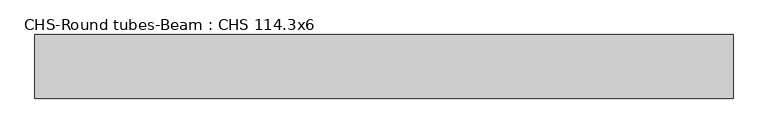
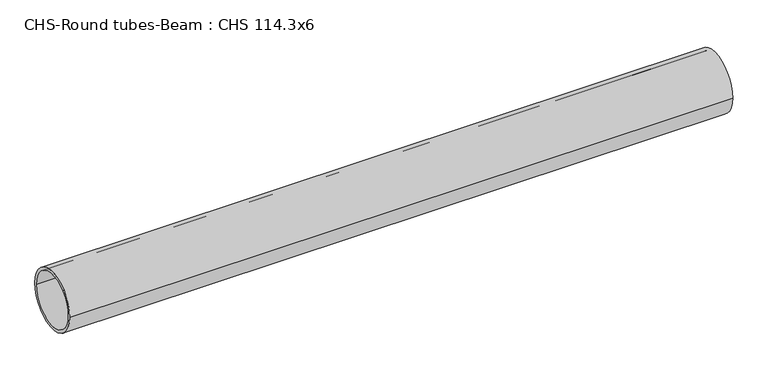
"""IFC4 building model written with IfcOpenShell, lengths in millimetres: beam geometry, CHS-Round tubes-Beam : CHS 114.3x6."""

from ifc_helpers import new_model, si_unit, point, frame, origin, origin_2d, place, context, project, spatial, circle_curve, trimmed, segment, composite_curve, outline, extrude, source, transform, mapped, element, save


def chs_round_tubes_beam_chs_114_3x6_cc2c139b(model_context):
    return source(origin(), model_context, "Body", "SweptSolid", [
        extrude(outline(composite_curve([segment(trimmed(circle_curve(origin_2d(), 57.15), [point((57.15, 0.0))], [point((-57.15, 0.0))], False, "CARTESIAN"), True, "CONTINUOUS"), segment(trimmed(circle_curve(origin_2d(), 57.15), [point((-57.15, 0.0))], [point((57.15, 0.0))], False, "CARTESIAN"), True, "CONTINUOUS")], self_intersect=False), holes=[composite_curve([segment(trimmed(circle_curve(origin_2d(), 51.15), [point((51.15, 0.0))], [point((-51.15, 0.0))], True, "CARTESIAN"), True, "CONTINUOUS"), segment(trimmed(circle_curve(origin_2d(), 51.15), [point((-51.15, 0.0))], [point((51.15, 0.0))], True, "CARTESIAN"), True, "CONTINUOUS")], self_intersect=False)]), frame((-626.8372537, 0.0, 0.0), z_axis=(1.0, 0.0, 0.0), x_axis=(0.0, 1.0, 0.0)), (0.0, 0.0, 1.0), 1253.6755452),
    ])


if __name__ == "__main__":
    model = new_model("IFC4")
    model_context = context("Model", 3, world=origin())
    ifc_project = project(units=[si_unit("LENGTHUNIT", "METRE", prefix="MILLI")], contexts=[model_context])
    site = spatial("IfcSite", under=ifc_project)
    building = spatial("IfcBuilding", under=site)
    placement = place(None, origin())
    chs_round_tubes_beam_chs_114_3x6_shape = chs_round_tubes_beam_chs_114_3x6_cc2c139b(model_context)
    element("IfcBeam", 1, ObjectType="CHS-Round tubes-Beam : CHS 114.3x6", at=placement, inside=building, context=model_context, shape_type="MappedRepresentation", body=[
        mapped(chs_round_tubes_beam_chs_114_3x6_shape, transform((0.0, 0.0, 0.0), x_axis=(1.0, 0.0, 0.0), y_axis=(0.0, 1.0, 0.0), z_axis=(0.0, 0.0, 1.0))),
    ])
    save(model, "model.ifc")
